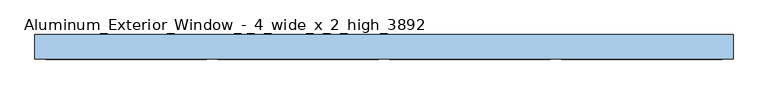
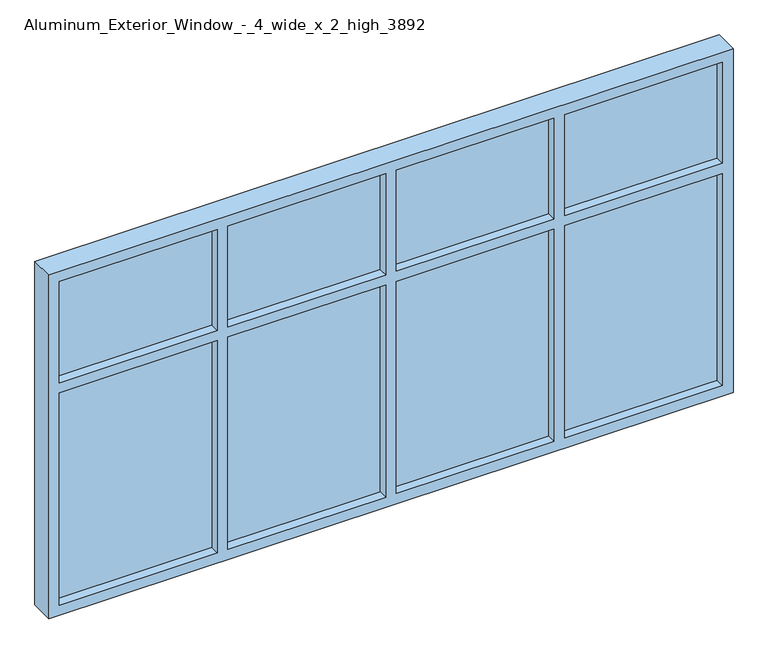
"""IFC4 building model written with IfcOpenShell, lengths in millimetres: window geometry, Aluminum_Exterior_Window_-_4_wide_x_2_high_3892."""

from ifc_helpers import new_model, si_unit, frame, origin, place, context, project, spatial, polyline, outline, extrude, source, transform, mapped, element, save


def aluminum_exterior_window_4_wide_x_2_high_3892_98c81139(model_context):
    return source(origin(), model_context, "Body", "SweptSolid", [
        extrude(outline(polyline([(-1278.4666667, -56.7075246), (-1278.4666667, -31.3075246), (-529.1666667, -31.3075246), (-529.1666667, -56.7075246), (-1278.4666667, -56.7075246)])), frame((0.0, 0.0, 956.6367551), z_axis=(0.0, 0.0, 1.0), x_axis=(1.0, 0.0, 0.0)), (0.0, 0.0, 1.0), 1066.8),
        extrude(outline(polyline([(321.7333333, -56.7075246), (321.7333333, -31.3075246), (1071.0333333, -31.3075246), (1071.0333333, -56.7075246), (321.7333333, -56.7075246)])), frame((0.0, 0.0, 956.6367551), z_axis=(0.0, 0.0, 1.0), x_axis=(1.0, 0.0, 0.0)), (0.0, 0.0, 1.0), 1066.8),
        extrude(outline(polyline([(-478.3666667, -56.7075246), (-478.3666667, -31.3075246), (270.9333333, -31.3075246), (270.9333333, -56.7075246), (-478.3666667, -56.7075246)])), frame((0.0, 0.0, 956.6367551), z_axis=(0.0, 0.0, 1.0), x_axis=(1.0, 0.0, 0.0)), (0.0, 0.0, 1.0), 1066.8),
        extrude(outline(polyline([(1121.8333333, -56.7075246), (1121.8333333, -31.3075246), (1871.1333333, -31.3075246), (1871.1333333, -56.7075246), (1121.8333333, -56.7075246)])), frame((0.0, 0.0, 2074.2367551), z_axis=(0.0, 0.0, 1.0), x_axis=(1.0, 0.0, 0.0)), (0.0, 0.0, 1.0), 508.0),
        extrude(outline(polyline([(-1278.4666667, -56.7075246), (-1278.4666667, -31.3075246), (-529.1666667, -31.3075246), (-529.1666667, -56.7075246), (-1278.4666667, -56.7075246)])), frame((0.0, 0.0, 2074.2367551), z_axis=(0.0, 0.0, 1.0), x_axis=(1.0, 0.0, 0.0)), (0.0, 0.0, 1.0), 508.0),
        extrude(outline(polyline([(321.7333333, -56.7075246), (321.7333333, -31.3075246), (1071.0333333, -31.3075246), (1071.0333333, -56.7075246), (321.7333333, -56.7075246)])), frame((0.0, 0.0, 2074.2367551), z_axis=(0.0, 0.0, 1.0), x_axis=(1.0, 0.0, 0.0)), (0.0, 0.0, 1.0), 508.0),
        extrude(outline(polyline([(-478.3666667, -56.7075246), (-478.3666667, -31.3075246), (270.9333333, -31.3075246), (270.9333333, -56.7075246), (-478.3666667, -56.7075246)])), frame((0.0, 0.0, 2074.2367551), z_axis=(0.0, 0.0, 1.0), x_axis=(1.0, 0.0, 0.0)), (0.0, 0.0, 1.0), 508.0),
        extrude(outline(polyline([(1121.8333333, -56.7075246), (1121.8333333, -31.3075246), (1871.1333333, -31.3075246), (1871.1333333, -56.7075246), (1121.8333333, -56.7075246)])), frame((0.0, 0.0, 956.6367551), z_axis=(0.0, 0.0, 1.0), x_axis=(1.0, 0.0, 0.0)), (0.0, 0.0, 1.0), 1066.8),
        extrude(outline(polyline([(2633.0367551, -1329.2666667), (905.8367551, -1329.2666667), (905.8367551, 1921.9333333), (2633.0367551, 1921.9333333), (2633.0367551, -1329.2666667)]), holes=[polyline([(2582.2367551, 1121.8333333), (2582.2367551, 1871.1333333), (2074.2367551, 1871.1333333), (2074.2367551, 1121.8333333), (2582.2367551, 1121.8333333)]), polyline([(2582.2367551, 321.7333333), (2582.2367551, 1071.0333333), (2074.2367551, 1071.0333333), (2074.2367551, 321.7333333), (2582.2367551, 321.7333333)]), polyline([(2582.2367551, -478.3666667), (2582.2367551, 270.9333333), (2074.2367551, 270.9333333), (2074.2367551, -478.3666667), (2582.2367551, -478.3666667)]), polyline([(2582.2367551, -1278.4666667), (2582.2367551, -529.1666667), (2074.2367551, -529.1666667), (2074.2367551, -1278.4666667), (2582.2367551, -1278.4666667)]), polyline([(2023.4367551, 1121.8333333), (2023.4367551, 1871.1333333), (956.6367551, 1871.1333333), (956.6367551, 1121.8333333), (2023.4367551, 1121.8333333)]), polyline([(2023.4367551, -1278.4666667), (2023.4367551, -529.1666667), (956.6367551, -529.1666667), (956.6367551, -1278.4666667), (2023.4367551, -1278.4666667)]), polyline([(2023.4367551, 321.7333333), (2023.4367551, 1071.0333333), (956.6367551, 1071.0333333), (956.6367551, 321.7333333), (2023.4367551, 321.7333333)]), polyline([(2023.4367551, -478.3666667), (2023.4367551, 270.9333333), (956.6367551, 270.9333333), (956.6367551, -478.3666667), (2023.4367551, -478.3666667)])]), frame((0.0, -101.1575246, 0.0), z_axis=(0.0, 1.0, 0.0), x_axis=(0.0, 0.0, 1.0)), (0.0, 0.0, 1.0), 114.3),
    ])


if __name__ == "__main__":
    model = new_model("IFC4")
    model_context = context("Model", 3, world=origin())
    ifc_project = project(units=[si_unit("LENGTHUNIT", "METRE", prefix="MILLI")], contexts=[model_context])
    site = spatial("IfcSite", under=ifc_project)
    building = spatial("IfcBuilding", under=site)
    placement = place(None, origin())
    aluminum_exterior_window_4_wide_x_2_high_3892_shape = aluminum_exterior_window_4_wide_x_2_high_3892_98c81139(model_context)
    element("IfcWindow", 1, ObjectType="Aluminum_Exterior_Window_-_4_wide_x_2_high_3892", at=placement, inside=building, context=model_context, shape_type="MappedRepresentation", body=[
        mapped(aluminum_exterior_window_4_wide_x_2_high_3892_shape, transform((0.0, 0.0, 0.0), x_axis=(1.0, 0.0, 0.0), y_axis=(0.0, 1.0, 0.0), z_axis=(0.0, 0.0, 1.0))),
    ])
    save(model, "model.ifc")
